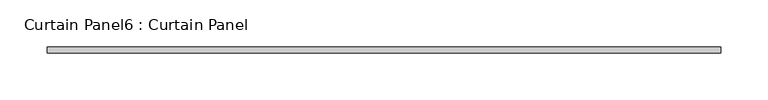
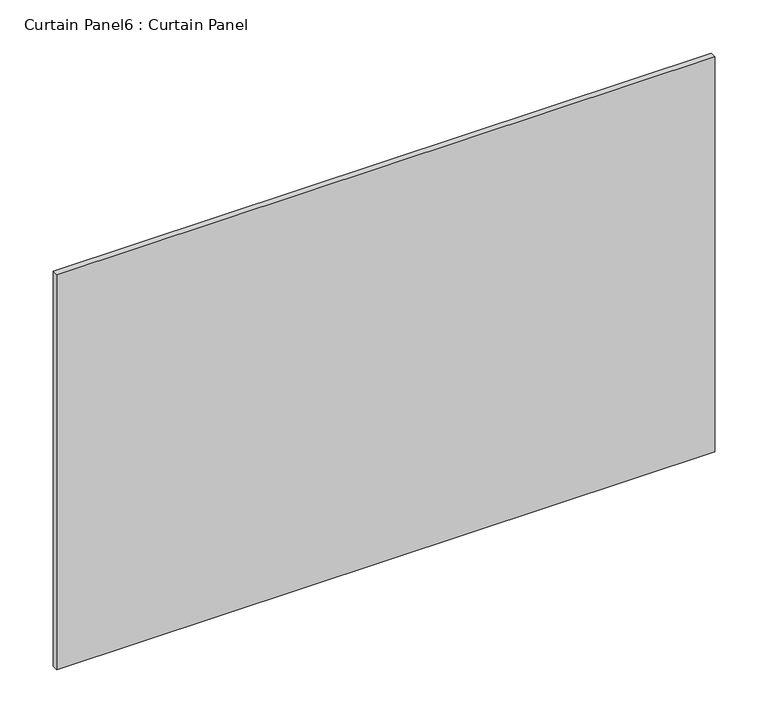
"""IFC4 building model written with IfcOpenShell, lengths in millimetres: plate geometry, Curtain Panel6 : Curtain Panel."""

from ifc_helpers import new_model, si_unit, frame, origin, place, context, project, spatial, polyline, outline, extrude, source, transform, mapped, element, save


def curtain_panel6_curtain_panel_3d34edca(model_context):
    return source(origin(), model_context, "Body", "SweptSolid", [
        extrude(outline(polyline([(5437.3061815, 3568.3617926), (4722.2292464, 3568.3617926), (4722.2292464, 3574.7117926), (5437.3061815, 3574.7117926), (5437.3061815, 3568.3617926)])), frame((0.0, 0.0, 2554.2843054), z_axis=(0.0, 0.0, 1.0), x_axis=(1.0, 0.0, 0.0)), (0.0, 0.0, 1.0), 453.9170696),
    ])


if __name__ == "__main__":
    model = new_model("IFC4")
    model_context = context("Model", 3, world=origin())
    ifc_project = project(units=[si_unit("LENGTHUNIT", "METRE", prefix="MILLI")], contexts=[model_context])
    site = spatial("IfcSite", under=ifc_project)
    building = spatial("IfcBuilding", under=site)
    placement = place(None, origin())
    curtain_panel6_curtain_panel_shape = curtain_panel6_curtain_panel_3d34edca(model_context)
    element("IfcPlate", 1, ObjectType="Curtain Panel6 : Curtain Panel", at=placement, inside=building, context=model_context, shape_type="MappedRepresentation", body=[
        mapped(curtain_panel6_curtain_panel_shape, transform((0.0, 0.0, 0.0), x_axis=(1.0, 0.0, 0.0), y_axis=(0.0, 1.0, 0.0), z_axis=(0.0, 0.0, 1.0))),
    ])
    save(model, "model.ifc")
